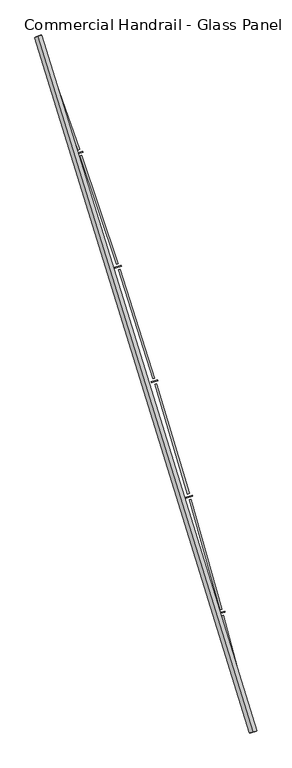
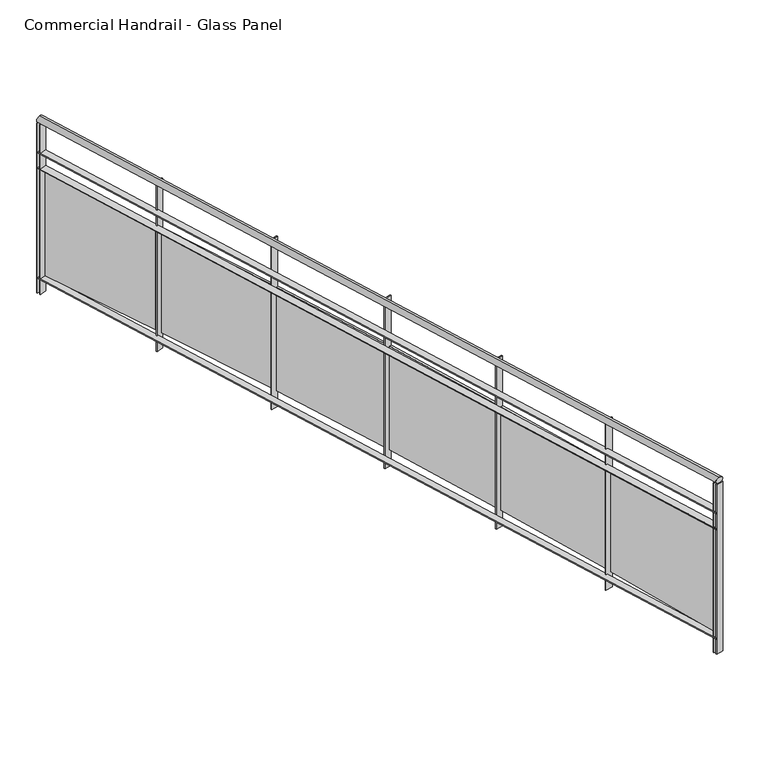
"""IFC4 building model written with IfcOpenShell, lengths in millimetres: railing geometry, Commercial Handrail - Glass Panel."""

from ifc_helpers import new_model, si_unit, point, frame, origin, place, context, project, spatial, polyline, circle_curve, ellipse_curve, trimmed, outline, extrude, source, transform, mapped, element, save
from ifc_brep_helpers import plane_surface, cylinder_surface, revolved_surface, advanced_brep


def commercial_handrail_glass_panel_06f2c68c(model_context):
    return source(origin(), model_context, "Body", "SolidModel", [
        advanced_brep(
        [(180775.6028582, -41782.2225015, 16282.5), (179346.0628414, -37160.8311359, 16282.5), (179346.0628414, -37160.8311359, 16317.5), (180775.6028582, -41782.2225015, 16317.5)],
        [
            (0, 1, circle_curve(frame((134505.1876621, -53563.3040857, 16282.5), z_axis=(0.0, 0.0, 1.0), x_axis=(0.9391412678699065, 0.3435311906999195, 0.0)), 47746.6774311)),
            (1, 2, ellipse_curve(frame((179346.0628414, -37160.8311359, 16300.0), z_axis=(0.34353119069991367, -0.9391412678699088, 0.0), x_axis=(-0.9391412678699086, -0.3435311906999136, 0.0)), 25.0, 17.5)),
            (2, 3, circle_curve(frame((134505.1876621, -53563.3040857, 16317.5), z_axis=(0.0, 0.0, -1.0), x_axis=(0.9391412678699065, 0.3435311906999195, 0.0)), 47746.6774311)),
            (3, 0, ellipse_curve(frame((180775.6028582, -41782.2225015, 16300.0), z_axis=(-0.24674139056469277, 0.9690813620033158, 0.0), x_axis=(-0.9690813620033158, -0.24674139056469277, 0.0)), 25.0, 17.5)),
            (2, 1, ellipse_curve(frame((179346.0628414, -37160.8311359, 16300.0), z_axis=(0.34353119069991367, -0.9391412678699088, 0.0), x_axis=(-0.9391412678699086, -0.3435311906999136, 0.0)), 25.0, 17.5)),
            (0, 3, ellipse_curve(frame((180775.6028582, -41782.2225015, 16300.0), z_axis=(-0.24674139056469277, 0.9690813620033158, 0.0), x_axis=(-0.9690813620033158, -0.24674139056469277, 0.0)), 25.0, 17.5)),
        ],
        [
            revolved_surface(trimmed(ellipse_curve(frame((179346.0628414, -37160.8311359, 16300.0), z_axis=(-0.3435311906999195, 0.9391412678699065, 0.0), x_axis=(0.0, 0.0, -1.0)), 17.5, 25.0), [point((179346.0628414, -37160.8311359, 16317.5))], [point((179346.0628414, -37160.8311359, 16282.5))], True, "CARTESIAN"), (134505.1876621, -53563.3040857, 16300.0), (0.0, 0.0, -1.0)),
            revolved_surface(trimmed(ellipse_curve(frame((179346.0628414, -37160.8311359, 16300.0), z_axis=(-0.3435311906999195, 0.9391412678699065, 0.0), x_axis=(0.0, 0.0, -1.0)), 17.5, 25.0), [point((179346.0628414, -37160.8311359, 16282.5))], [point((179346.0628414, -37160.8311359, 16317.5))], True, "CARTESIAN"), (134505.1876621, -53563.3040857, 16300.0), (0.0, 0.0, -1.0)),
            plane_surface(frame((179346.0628414, -37160.8311359, 16300.0), z_axis=(-0.3435311906999195, 0.9391412678699065, 0.0), x_axis=(0.9391412678699065, 0.3435311906999195, 0.0))),
            plane_surface(frame((180775.6028582, -41782.2225015, 16300.0), z_axis=(0.24674139056469271, -0.9690813620033158, 0.0), x_axis=(0.9690813620033158, 0.24674139056469271, 0.0))),
        ],
        [
            (0, [[1, 2, 3, 4]]),
            (1, [[-3, 5, -1, 6]]),
            (2, [[-2, -5]]),
            (3, [[-6, -4]]),
        ],
    ),
        advanced_brep(
        [(180797.4071889, -41776.6708203, 16100.0), (179367.1935199, -37153.1016841, 16100.0), (179324.9321629, -37168.5605877, 16100.0), (180753.7985276, -41787.7741828, 16100.0), (180797.4071889, -41776.6708203, 16094.0), (179367.1935199, -37153.1016841, 16094.0), (180753.7985276, -41787.7741828, 16094.0), (179324.9321629, -37168.5605877, 16094.0)],
        [
            (0, 1, circle_curve(frame((134505.1876621, -53563.3040857, 16100.0), z_axis=(0.0, 0.0, 1.0), x_axis=(0.9391412678699065, 0.3435311906999195, 0.0)), 47769.1774311)),
            (1, 2),
            (2, 3, circle_curve(frame((134505.1876621, -53563.3040857, 16100.0), z_axis=(0.0, 0.0, -1.0), x_axis=(0.9391412678699065, 0.3435311906999195, 0.0)), 47724.1774311)),
            (3, 0),
            (4, 5, circle_curve(frame((134505.1876621, -53563.3040857, 16094.0), z_axis=(0.0, 0.0, 1.0), x_axis=(0.9391412678699065, 0.3435311906999195, 0.0)), 47769.1774311)),
            (5, 1),
            (0, 4),
            (6, 7, circle_curve(frame((134505.1876621, -53563.3040857, 16094.0), z_axis=(0.0, 0.0, 1.0), x_axis=(0.9391412678699065, 0.3435311906999195, 0.0)), 47724.1774311)),
            (7, 5),
            (4, 6),
            (2, 7),
            (6, 3),
        ],
        [
            plane_surface(frame((134505.1876621, -53563.3040857, 16100.0), z_axis=(0.0, 0.0, 1.0), x_axis=(0.9391412678699065, 0.3435311906999195, 0.0))),
            cylinder_surface(frame((134505.1876621, -53563.3040857, 16100.0), z_axis=(0.0, 0.0, -1.0), x_axis=(0.9391412678699065, 0.3435311906999195, 0.0)), 47769.1774311),
            plane_surface(frame((134505.1876621, -53563.3040857, 16094.0), z_axis=(0.0, 0.0, -1.0), x_axis=(0.9391412678699065, 0.3435311906999195, 0.0))),
            revolved_surface(polyline([(179324.93216279164, -37168.56058762, 16094.0), (179324.93216279164, -37168.56058762, 16100.0)]), (134505.1876621, -53563.3040857, 16100.0), (0.0, 0.0, -1.0)),
            plane_surface(frame((179346.0628414, -37160.8311359, 16100.0), z_axis=(-0.3435311906999195, 0.9391412678699065, 0.0), x_axis=(0.9391412678699065, 0.3435311906999195, 0.0))),
            plane_surface(frame((180775.6028582, -41782.2225015, 16100.0), z_axis=(0.24674139056469271, -0.9690813620033158, 0.0), x_axis=(0.9690813620033158, 0.24674139056469271, 0.0))),
        ],
        [
            (0, [[1, 2, 3, 4]]),
            (1, [[5, 6, -1, 7]]),
            (2, [[8, 9, -5, 10]]),
            (3, [[-3, 11, -8, 12]]),
            (4, [[-2, -6, -9, -11]]),
            (5, [[-12, -10, -7, -4]]),
        ],
    ),
        advanced_brep(
        [(180797.4071889, -41776.6708203, 16000.0), (179367.1935199, -37153.1016841, 16000.0), (179324.9321629, -37168.5605877, 16000.0), (180753.7985276, -41787.7741828, 16000.0), (180797.4071889, -41776.6708203, 15994.0), (179367.1935199, -37153.1016841, 15994.0), (180753.7985276, -41787.7741828, 15994.0), (179324.9321629, -37168.5605877, 15994.0)],
        [
            (0, 1, circle_curve(frame((134505.1876621, -53563.3040857, 16000.0), z_axis=(0.0, 0.0, 1.0), x_axis=(0.9391412678699065, 0.3435311906999195, 0.0)), 47769.1774311)),
            (1, 2),
            (2, 3, circle_curve(frame((134505.1876621, -53563.3040857, 16000.0), z_axis=(0.0, 0.0, -1.0), x_axis=(0.9391412678699065, 0.3435311906999195, 0.0)), 47724.1774311)),
            (3, 0),
            (4, 5, circle_curve(frame((134505.1876621, -53563.3040857, 15994.0), z_axis=(0.0, 0.0, 1.0), x_axis=(0.9391412678699065, 0.3435311906999195, 0.0)), 47769.1774311)),
            (5, 1),
            (0, 4),
            (6, 7, circle_curve(frame((134505.1876621, -53563.3040857, 15994.0), z_axis=(0.0, 0.0, 1.0), x_axis=(0.9391412678699065, 0.3435311906999195, 0.0)), 47724.1774311)),
            (7, 5),
            (4, 6),
            (2, 7),
            (6, 3),
        ],
        [
            plane_surface(frame((134505.1876621, -53563.3040857, 16000.0), z_axis=(0.0, 0.0, 1.0), x_axis=(0.9391412678699065, 0.3435311906999195, 0.0))),
            cylinder_surface(frame((134505.1876621, -53563.3040857, 16000.0), z_axis=(0.0, 0.0, -1.0), x_axis=(0.9391412678699065, 0.3435311906999195, 0.0)), 47769.1774311),
            plane_surface(frame((134505.1876621, -53563.3040857, 15994.0), z_axis=(0.0, 0.0, -1.0), x_axis=(0.9391412678699065, 0.3435311906999195, 0.0))),
            revolved_surface(polyline([(179324.93216279164, -37168.56058762, 15994.0), (179324.93216279164, -37168.56058762, 16000.0)]), (134505.1876621, -53563.3040857, 16000.0), (0.0, 0.0, -1.0)),
            plane_surface(frame((179346.0628414, -37160.8311359, 16000.0), z_axis=(-0.3435311906999195, 0.9391412678699065, 0.0), x_axis=(0.9391412678699065, 0.3435311906999195, 0.0))),
            plane_surface(frame((180775.6028582, -41782.2225015, 16000.0), z_axis=(0.24674139056469271, -0.9690813620033158, 0.0), x_axis=(0.9690813620033158, 0.24674139056469271, 0.0))),
        ],
        [
            (0, [[1, 2, 3, 4]]),
            (1, [[5, 6, -1, 7]]),
            (2, [[8, 9, -5, 10]]),
            (3, [[-3, 11, -8, 12]]),
            (4, [[-2, -6, -9, -11]]),
            (5, [[-12, -10, -7, -4]]),
        ],
    ),
        advanced_brep(
        [(180797.4071889, -41776.6708203, 15300.0), (179367.1935199, -37153.1016841, 15300.0), (179324.9321629, -37168.5605877, 15300.0), (180753.7985276, -41787.7741828, 15300.0), (180797.4071889, -41776.6708203, 15294.0), (179367.1935199, -37153.1016841, 15294.0), (180753.7985276, -41787.7741828, 15294.0), (179324.9321629, -37168.5605877, 15294.0)],
        [
            (0, 1, circle_curve(frame((134505.1876621, -53563.3040857, 15300.0), z_axis=(0.0, 0.0, 1.0), x_axis=(0.9391412678699065, 0.3435311906999195, 0.0)), 47769.1774311)),
            (1, 2),
            (2, 3, circle_curve(frame((134505.1876621, -53563.3040857, 15300.0), z_axis=(0.0, 0.0, -1.0), x_axis=(0.9391412678699065, 0.3435311906999195, 0.0)), 47724.1774311)),
            (3, 0),
            (4, 5, circle_curve(frame((134505.1876621, -53563.3040857, 15294.0), z_axis=(0.0, 0.0, 1.0), x_axis=(0.9391412678699065, 0.3435311906999195, 0.0)), 47769.1774311)),
            (5, 1),
            (0, 4),
            (6, 7, circle_curve(frame((134505.1876621, -53563.3040857, 15294.0), z_axis=(0.0, 0.0, 1.0), x_axis=(0.9391412678699065, 0.3435311906999195, 0.0)), 47724.1774311)),
            (7, 5),
            (4, 6),
            (2, 7),
            (6, 3),
        ],
        [
            plane_surface(frame((134505.1876621, -53563.3040857, 15300.0), z_axis=(0.0, 0.0, 1.0), x_axis=(0.9391412678699065, 0.3435311906999195, 0.0))),
            cylinder_surface(frame((134505.1876621, -53563.3040857, 15300.0), z_axis=(0.0, 0.0, -1.0), x_axis=(0.9391412678699065, 0.3435311906999195, 0.0)), 47769.1774311),
            plane_surface(frame((134505.1876621, -53563.3040857, 15294.0), z_axis=(0.0, 0.0, -1.0), x_axis=(0.9391412678699065, 0.3435311906999195, 0.0))),
            revolved_surface(polyline([(179324.93216279164, -37168.56058762, 15294.0), (179324.93216279164, -37168.56058762, 15300.0)]), (134505.1876621, -53563.3040857, 15300.0), (0.0, 0.0, -1.0)),
            plane_surface(frame((179346.0628414, -37160.8311359, 15300.0), z_axis=(-0.3435311906999195, 0.9391412678699065, 0.0), x_axis=(0.9391412678699065, 0.3435311906999195, 0.0))),
            plane_surface(frame((180775.6028582, -41782.2225015, 15300.0), z_axis=(0.24674139056469271, -0.9690813620033158, 0.0), x_axis=(0.9690813620033158, 0.24674139056469271, 0.0))),
        ],
        [
            (0, [[1, 2, 3, 4]]),
            (1, [[5, 6, -1, 7]]),
            (2, [[8, 9, -5, 10]]),
            (3, [[-3, 11, -8, 12]]),
            (4, [[-2, -6, -9, -11]]),
            (5, [[-12, -10, -7, -4]]),
        ],
    ),
        extrude(outline(polyline([(180748.1806794, -41765.7315693), (180791.7847427, -41754.6101634), (180793.2675968, -41760.4240385), (180749.6635336, -41771.5454444), (180748.1806794, -41765.7315693)])), frame((0.0, 0.0, 15200.0), z_axis=(0.0, 0.0, 1.0), x_axis=(1.0, 0.0, 0.0)), (0.0, 0.0, 1.0), 1082.1192282),
        extrude(outline(polyline([(180579.0506002, -41006.960836), (180773.041554, -41741.7856518), (180761.4390569, -41744.8486668), (180567.4481031, -41010.0238511), (180579.0506002, -41006.960836)])), frame((0.0, 0.0, 15320.0), z_axis=(0.0, 0.0, 1.0), x_axis=(1.0, 0.0, 0.0)), (0.0, 0.0, 1.0), 660.0),
        extrude(outline(polyline([(180544.0296903, -40992.6181386), (180587.4413017, -40980.7677378), (180589.0213551, -40986.5559526), (180545.6097438, -40998.4063534), (180544.0296903, -40992.6181386)])), frame((0.0, 0.0, 15200.0), z_axis=(0.0, 0.0, 1.0), x_axis=(1.0, 0.0, 0.0)), (0.0, 0.0, 1.0), 1082.1192282),
        extrude(outline(polyline([(180362.2106717, -40236.7875664), (180568.485878, -40968.2590554), (180556.9363282, -40971.5160323), (180350.6611219, -40240.0445433), (180362.2106717, -40236.7875664)])), frame((0.0, 0.0, 15320.0), z_axis=(0.0, 0.0, 1.0), x_axis=(1.0, 0.0, 0.0)), (0.0, 0.0, 1.0), 660.0),
        extrude(outline(polyline([(180326.9543755, -40223.0336333), (180370.1613482, -40210.4575643), (180371.8381574, -40216.218494), (180328.6311847, -40228.794563), (180326.9543755, -40223.0336333)])), frame((0.0, 0.0, 15200.0), z_axis=(0.0, 0.0, 1.0), x_axis=(1.0, 0.0, 0.0)), (0.0, 0.0, 1.0), 1082.1192282),
        extrude(outline(polyline([(180132.4974589, -39470.3554039), (180350.9990108, -40198.2682227), (180339.5056505, -40201.7182472), (180121.0040986, -39473.8054284), (180132.4974589, -39470.3554039)])), frame((0.0, 0.0, 15320.0), z_axis=(0.0, 0.0, 1.0), x_axis=(1.0, 0.0, 0.0)), (0.0, 0.0, 1.0), 660.0),
        extrude(outline(polyline([(180097.0156738, -39457.1940962), (180140.0058784, -39443.8958894), (180141.7789726, -39449.6279167), (180098.788768, -39462.9261235), (180097.0156738, -39457.1940962)])), frame((0.0, 0.0, 15200.0), z_axis=(0.0, 0.0, 1.0), x_axis=(1.0, 0.0, 0.0)), (0.0, 0.0, 1.0), 1082.1192282),
        extrude(outline(polyline([(179889.9754484, -38707.8795063), (180120.6420068, -39432.0293105), (180109.2080625, -39435.6714141), (179878.5415042, -38711.5216099), (179889.9754484, -38707.8795063)])), frame((0.0, 0.0, 15320.0), z_axis=(0.0, 0.0, 1.0), x_axis=(1.0, 0.0, 0.0)), (0.0, 0.0, 1.0), 660.0),
        extrude(outline(polyline([(179854.278135, -38695.3145188), (179897.0395032, -38681.2979075), (179898.9083847, -38686.9994232), (179856.1470165, -38701.0160346), (179854.278135, -38695.3145188)])), frame((0.0, 0.0, 15200.0), z_axis=(0.0, 0.0, 1.0), x_axis=(1.0, 0.0, 0.0)), (0.0, 0.0, 1.0), 1082.1192282),
        extrude(outline(polyline([(179634.7127226, -37949.5739211), (179877.4795332, -38669.7574225), (179866.1082147, -38673.5905826), (179623.3414042, -37953.4070812), (179634.7127226, -37949.5739211)])), frame((0.0, 0.0, 15320.0), z_axis=(0.0, 0.0, 1.0), x_axis=(1.0, 0.0, 0.0)), (0.0, 0.0, 1.0), 660.0),
        extrude(outline(polyline([(179598.8099021, -37937.608781), (179641.3304295, -37922.8776999), (179643.2945737, -37928.5471036), (179600.7740463, -37943.2781847), (179598.8099021, -37937.608781)])), frame((0.0, 0.0, 15200.0), z_axis=(0.0, 0.0, 1.0), x_axis=(1.0, 0.0, 0.0)), (0.0, 0.0, 1.0), 1082.1192282),
        extrude(outline(polyline([(179366.7809405, -37195.6515245), (179621.5798522, -37911.6665486), (179610.2743518, -37915.6896893), (179355.4754402, -37199.6746652), (179366.7809405, -37195.6515245)])), frame((0.0, 0.0, 15320.0), z_axis=(0.0, 0.0, 1.0), x_axis=(1.0, 0.0, 0.0)), (0.0, 0.0, 1.0), 660.0),
        extrude(outline(polyline([(179330.6826918, -37184.2895909), (179372.9504418, -37168.8481755), (179375.0092972, -37174.4838755), (179332.7415472, -37189.9252909), (179330.6826918, -37184.2895909)])), frame((0.0, 0.0, 15200.0), z_axis=(0.0, 0.0, 1.0), x_axis=(1.0, 0.0, 0.0)), (0.0, 0.0, 1.0), 1082.1192282),
        extrude(outline(polyline([(180753.0583034, -41784.8669387), (180796.6669647, -41773.7635762), (180798.147413, -41779.5780643), (180754.5387518, -41790.6814269), (180753.0583034, -41784.8669387)])), frame((0.0, 0.0, 15200.0), z_axis=(0.0, 0.0, 1.0), x_axis=(1.0, 0.0, 0.0)), (0.0, 0.0, 1.0), 1082.1192282),
        extrude(outline(polyline([(179323.9015693, -37165.7431638), (179366.1629263, -37150.2842603), (179368.2241135, -37155.9191079), (179325.9627564, -37171.3780115), (179323.9015693, -37165.7431638)])), frame((0.0, 0.0, 15200.0), z_axis=(0.0, 0.0, 1.0), x_axis=(1.0, 0.0, 0.0)), (0.0, 0.0, 1.0), 1082.1192282),
    ])


if __name__ == "__main__":
    model = new_model("IFC4")
    model_context = context("Model", 3, world=origin())
    ifc_project = project(units=[si_unit("LENGTHUNIT", "METRE", prefix="MILLI")], contexts=[model_context])
    site = spatial("IfcSite", under=ifc_project)
    building = spatial("IfcBuilding", under=site)
    placement = place(None, origin())
    commercial_handrail_glass_panel_shape = commercial_handrail_glass_panel_06f2c68c(model_context)
    element("IfcRailing", 1, ObjectType="Commercial Handrail - Glass Panel", at=placement, inside=building, context=model_context, shape_type="MappedRepresentation", body=[
        mapped(commercial_handrail_glass_panel_shape, transform((0.0, 0.0, 0.0), x_axis=(1.0, 0.0, 0.0), y_axis=(0.0, 1.0, 0.0), z_axis=(0.0, 0.0, 1.0))),
    ])
    save(model, "model.ifc")
